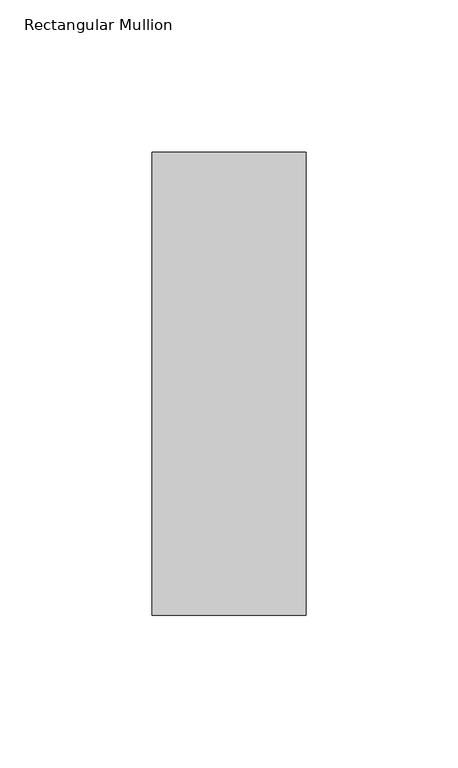
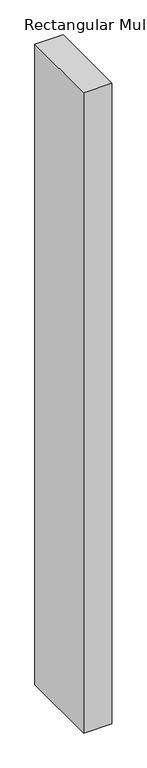
"""IFC4 building model written with IfcOpenShell, lengths in millimetres: member geometry, Rectangular Mullion."""

from ifc_helpers import new_model, si_unit, frame, origin, place, context, project, spatial, polyline, outline, extrude, source, transform, mapped, element, save


def rectangular_mullion_4f10de73(model_context):
    return source(origin(), model_context, "Body", "SweptSolid", [
        extrude(outline(polyline([(0.0, 26.19375), (0.0, -126.20625), (-50.8, -126.20625), (-50.8, 26.19375), (0.0, 26.19375)])), frame((0.0, 0.0, -1219.2), z_axis=(0.0, 0.0, 1.0), x_axis=(1.0, 0.0, 0.0)), (0.0, 0.0, 1.0), 1219.2),
    ])


if __name__ == "__main__":
    model = new_model("IFC4")
    model_context = context("Model", 3, world=origin())
    ifc_project = project(units=[si_unit("LENGTHUNIT", "METRE", prefix="MILLI")], contexts=[model_context])
    site = spatial("IfcSite", under=ifc_project)
    building = spatial("IfcBuilding", under=site)
    placement = place(None, origin())
    rectangular_mullion_shape = rectangular_mullion_4f10de73(model_context)
    element("IfcMember", 1, ObjectType="Rectangular Mullion", at=placement, inside=building, context=model_context, shape_type="MappedRepresentation", body=[
        mapped(rectangular_mullion_shape, transform((0.0, 0.0, 0.0), x_axis=(1.0, 0.0, 0.0), y_axis=(0.0, 1.0, 0.0), z_axis=(0.0, 0.0, 1.0))),
    ])
    save(model, "model.ifc")
